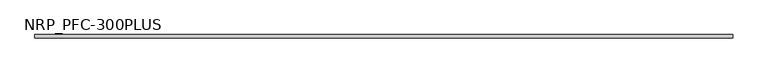
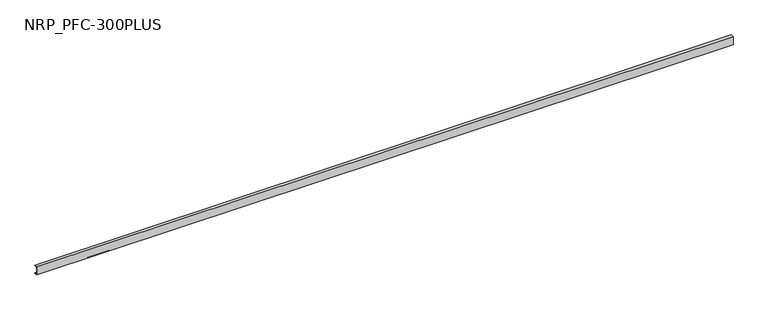
"""IFC4 building model written with IfcOpenShell, lengths in millimetres: beam geometry, NRP_PFC-300PLUS."""

from ifc_helpers import new_model, si_unit, point, frame, frame_2d, origin, place, context, project, spatial, polyline, circle_curve, trimmed, segment, composite_curve, outline, extrude, source, transform, mapped, element, save


def nrp_pfc_300plus_85bf0731(model_context):
    return source(origin(), model_context, "Body", "SweptSolid", [
        extrude(outline(composite_curve([segment(polyline([(-24.4, 100.0), (50.6, 100.0), (50.6, 88.0), (-6.4, 88.0)]), True, "CONTINUOUS"), segment(trimmed(circle_curve(frame_2d((-6.4, 76.0)), 12.0), [point((-6.4, 88.0))], [point((-18.4, 76.0))], True, "CARTESIAN"), True, "CONTINUOUS"), segment(polyline([(-18.4, 76.0), (-18.4, -76.0)]), True, "CONTINUOUS"), segment(trimmed(circle_curve(frame_2d((-6.4, -76.0)), 12.0), [point((-18.4, -76.0))], [point((-6.4, -88.0))], True, "CARTESIAN"), True, "CONTINUOUS"), segment(polyline([(-6.4, -88.0), (50.6, -88.0), (50.6, -100.0), (-24.4, -100.0), (-24.4, 100.0)]), True, "CONTINUOUS")], self_intersect=False)), frame((-8159.0, 0.0, 0.0), z_axis=(1.0, 0.0, 0.0), x_axis=(0.0, 1.0, 0.0)), (0.0, 0.0, 1.0), 16334.0),
    ])


if __name__ == "__main__":
    model = new_model("IFC4")
    model_context = context("Model", 3, world=origin())
    ifc_project = project(units=[si_unit("LENGTHUNIT", "METRE", prefix="MILLI")], contexts=[model_context])
    site = spatial("IfcSite", under=ifc_project)
    building = spatial("IfcBuilding", under=site)
    placement = place(None, origin())
    nrp_pfc_300plus_shape = nrp_pfc_300plus_85bf0731(model_context)
    element("IfcBeam", 1, ObjectType="NRP_PFC-300PLUS", at=placement, inside=building, context=model_context, shape_type="MappedRepresentation", body=[
        mapped(nrp_pfc_300plus_shape, transform((0.0, 0.0, 0.0), x_axis=(1.0, 0.0, 0.0), y_axis=(0.0, 1.0, 0.0), z_axis=(0.0, 0.0, 1.0))),
    ])
    save(model, "model.ifc")
